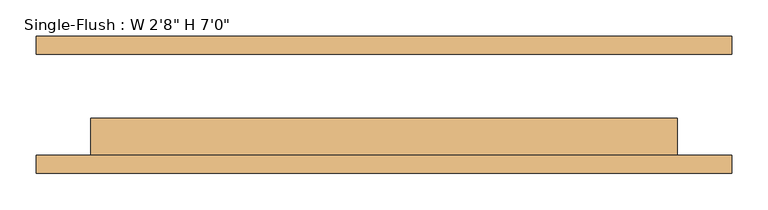
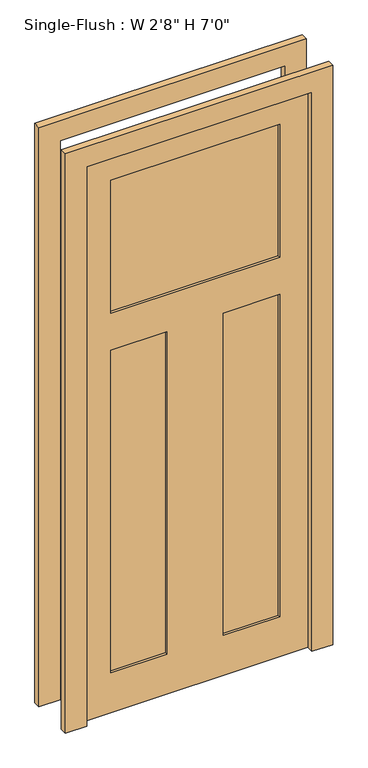
"""IFC4 building model written with IfcOpenShell, lengths in millimetres: door geometry."""

from ifc_helpers import new_model, si_unit, frame, origin, place, context, project, spatial, polyline, outline, extrude, faceted_brep, source, transform, mapped, element, save


def door_819d0f57(model_context):
    return source(origin(), model_context, "Body", "SolidModel", [
        faceted_brep([(406.4, -19.05, 2133.6), (406.4, -19.05, 0.0), (-406.4, -19.05, 0.0), (-406.4, -19.05, 2133.6), (304.8, -19.05, 2032.0), (-304.8, -19.05, 2032.0), (-304.8, -19.05, 1524.0), (304.8, -19.05, 1524.0), (-101.6, -19.05, 1382.3847826), (-304.8, -19.05, 1382.3847826), (-304.8, -19.05, 152.4), (-101.6, -19.05, 152.4), (101.6, -19.05, 1382.3847826), (101.6, -19.05, 152.4), (304.8, -19.05, 152.4), (304.8, -19.05, 1382.3847826), (406.4, -69.85, 2133.6), (-406.4, -69.85, 2133.6), (-406.4, -69.85, 0.0), (406.4, -69.85, 0.0), (304.8, -69.85, 1524.0), (-304.8, -69.85, 1524.0), (-304.8, -69.85, 2032.0), (304.8, -69.85, 2032.0), (-101.6, -69.85, 152.4), (-304.8, -69.85, 152.4), (-304.8, -69.85, 1382.3847826), (-101.6, -69.85, 1382.3847826), (304.8, -69.85, 1382.3847826), (304.8, -69.85, 152.4), (101.6, -69.85, 152.4), (101.6, -69.85, 1382.3847826), (304.8, -60.325, 2032.0), (-304.8, -60.325, 2032.0), (-304.8, -60.325, 1524.0), (304.8, -60.325, 1524.0), (-101.6, -60.325, 1382.3847826), (-304.8, -60.325, 1382.3847826), (-304.8, -60.325, 152.4), (-101.6, -60.325, 152.4), (101.6, -60.325, 1382.3847826), (101.6, -60.325, 152.4), (304.8, -60.325, 152.4), (304.8, -60.325, 1382.3847826), (304.8, -28.575, 2032.0), (304.8, -28.575, 1524.0), (-304.8, -28.575, 1524.0), (-304.8, -28.575, 2032.0), (-101.6, -28.575, 1382.3847826), (-101.6, -28.575, 152.4), (-304.8, -28.575, 152.4), (-304.8, -28.575, 1382.3847826), (101.6, -28.575, 1382.3847826), (304.8, -28.575, 1382.3847826), (304.8, -28.575, 152.4), (101.6, -28.575, 152.4)], [[[0, 1, 2, 3], [4, 5, 6, 7], [8, 9, 10, 11], [12, 13, 14, 15]], [[16, 17, 18, 19], [20, 21, 22, 23], [24, 25, 26, 27], [28, 29, 30, 31]], [[3, 17, 16, 0]], [[2, 18, 17, 3]], [[1, 19, 18, 2]], [[0, 16, 19, 1]], [[32, 33, 34, 35]], [[36, 37, 38, 39]], [[40, 41, 42, 43]], [[35, 20, 23, 32]], [[34, 21, 20, 35]], [[33, 22, 21, 34]], [[32, 23, 22, 33]], [[39, 24, 27, 36]], [[38, 25, 24, 39]], [[37, 26, 25, 38]], [[36, 27, 26, 37]], [[43, 28, 31, 40]], [[42, 29, 28, 43]], [[41, 30, 29, 42]], [[40, 31, 30, 41]], [[44, 45, 46, 47]], [[48, 49, 50, 51]], [[52, 53, 54, 55]], [[44, 4, 7, 45]], [[45, 7, 6, 46]], [[46, 6, 5, 47]], [[47, 5, 4, 44]], [[48, 8, 11, 49]], [[49, 11, 10, 50]], [[50, 10, 9, 51]], [[51, 9, 8, 48]], [[52, 12, 15, 53]], [[53, 15, 14, 54]], [[54, 14, 13, 55]], [[55, 13, 12, 52]]]),
        extrude(outline(polyline([(2209.8, -482.6), (0.0, -482.6), (0.0, -406.4), (2133.6, -406.4), (2133.6, 406.4), (0.0, 406.4), (0.0, 482.6), (2209.8, 482.6), (2209.8, -482.6)])), frame((0.0, -95.25, 0.0), z_axis=(0.0, 1.0, 0.0), x_axis=(0.0, 0.0, 1.0)), (0.0, 0.0, 1.0), 25.4),
        extrude(outline(polyline([(2209.8, 482.6), (2209.8, -482.6), (0.0, -482.6), (0.0, -406.4), (2133.6, -406.4), (2133.6, 406.4), (0.0, 406.4), (0.0, 482.6), (2209.8, 482.6)])), frame((0.0, 69.85, 0.0), z_axis=(0.0, 1.0, 0.0), x_axis=(0.0, 0.0, 1.0)), (0.0, 0.0, 1.0), 25.4),
    ])


if __name__ == "__main__":
    model = new_model("IFC4")
    model_context = context("Model", 3, world=origin())
    ifc_project = project(units=[si_unit("LENGTHUNIT", "METRE", prefix="MILLI")], contexts=[model_context])
    site = spatial("IfcSite", under=ifc_project)
    building = spatial("IfcBuilding", under=site)
    placement = place(None, origin())
    door_shape = door_819d0f57(model_context)
    element("IfcDoor", 1, ObjectType="Single-Flush : W 2'8\" H 7'0\"", at=placement, inside=building, context=model_context, shape_type="MappedRepresentation", body=[
        mapped(door_shape, transform((0.0, 0.0, 0.0), x_axis=(1.0, 0.0, 0.0), y_axis=(0.0, 1.0, 0.0), z_axis=(0.0, 0.0, 1.0))),
    ])
    save(model, "model.ifc")
